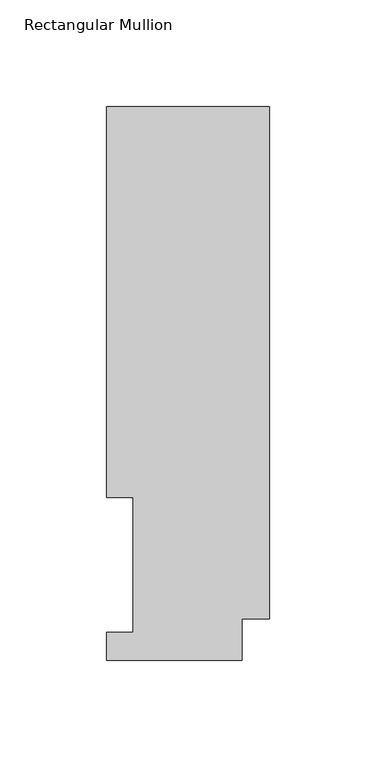
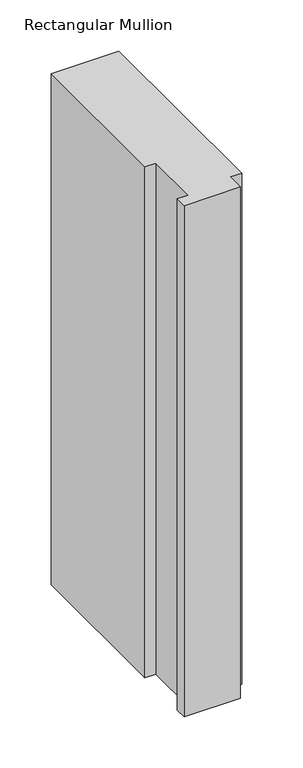
"""IFC4 building model written with IfcOpenShell, lengths in millimetres: member geometry, Rectangular Mullion."""

from ifc_helpers import new_model, si_unit, frame, origin, place, context, project, spatial, polyline, outline, extrude, source, transform, mapped, element, save


def rectangular_mullion_7f898743(model_context):
    return source(origin(), model_context, "Body", "SweptSolid", [
        extrude(outline(polyline([(0.0, 19.5088257), (-12.7, 19.5088257), (-12.7, -0.0333811), (-76.2, -0.0333811), (-76.2, 13.1492189), (-63.8581605, 13.1492189), (-63.8581605, 76.2992187), (-76.2, 76.2992187), (-76.2, 259.4586188), (0.0, 259.4586188), (0.0, 19.5088257)])), frame((0.0, 0.0, -609.6), z_axis=(0.0, 0.0, 1.0), x_axis=(1.0, 0.0, 0.0)), (0.0, 0.0, 1.0), 609.6),
    ])


if __name__ == "__main__":
    model = new_model("IFC4")
    model_context = context("Model", 3, world=origin())
    ifc_project = project(units=[si_unit("LENGTHUNIT", "METRE", prefix="MILLI")], contexts=[model_context])
    site = spatial("IfcSite", under=ifc_project)
    building = spatial("IfcBuilding", under=site)
    placement = place(None, origin())
    rectangular_mullion_shape = rectangular_mullion_7f898743(model_context)
    element("IfcMember", 1, ObjectType="Rectangular Mullion", at=placement, inside=building, context=model_context, shape_type="MappedRepresentation", body=[
        mapped(rectangular_mullion_shape, transform((0.0, 0.0, 0.0), x_axis=(1.0, 0.0, 0.0), y_axis=(0.0, 1.0, 0.0), z_axis=(0.0, 0.0, 1.0))),
    ])
    save(model, "model.ifc")
